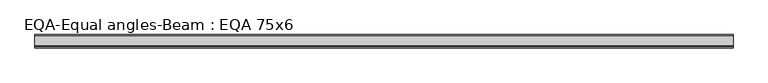
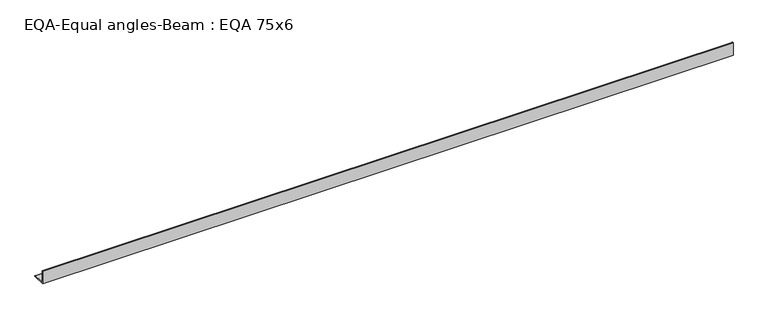
"""IFC4 building model written with IfcOpenShell, lengths in millimetres: beam geometry, EQA-Equal angles-Beam : EQA 75x6."""

from ifc_helpers import new_model, si_unit, point, frame, frame_2d, origin, place, context, project, spatial, polyline, circle_curve, trimmed, segment, composite_curve, outline, extrude, source, transform, mapped, element, save


def eqa_equal_angles_beam_eqa_75x6_c968c4ca(model_context):
    return source(origin(), model_context, "Body", "SweptSolid", [
        extrude(outline(composite_curve([segment(polyline([(-20.5, -20.5), (-20.5, 54.5), (-19.0, 54.5)]), True, "CONTINUOUS"), segment(trimmed(circle_curve(frame_2d((-19.0, 50.0)), 4.5), [point((-19.0, 54.5))], [point((-14.5, 50.0))], False, "CARTESIAN"), True, "CONTINUOUS"), segment(polyline([(-14.5, 50.0), (-14.5, -5.5)]), True, "CONTINUOUS"), segment(trimmed(circle_curve(frame_2d((-5.5, -5.5)), 9.0), [point((-14.5, -5.5))], [point((-5.5, -14.5))], True, "CARTESIAN"), True, "CONTINUOUS"), segment(polyline([(-5.5, -14.5), (50.0, -14.5)]), True, "CONTINUOUS"), segment(trimmed(circle_curve(frame_2d((50.0, -19.0)), 4.5), [point((50.0, -14.5))], [point((54.5, -19.0))], False, "CARTESIAN"), True, "CONTINUOUS"), segment(polyline([(54.5, -19.0), (54.5, -20.5), (-20.5, -20.5)]), True, "CONTINUOUS")], self_intersect=False)), frame((-1941.8824187, 0.0, 0.0), z_axis=(1.0, 0.0, 0.0), x_axis=(0.0, 1.0, 0.0)), (0.0, 0.0, 1.0), 3869.4152052),
    ])


if __name__ == "__main__":
    model = new_model("IFC4")
    model_context = context("Model", 3, world=origin())
    ifc_project = project(units=[si_unit("LENGTHUNIT", "METRE", prefix="MILLI")], contexts=[model_context])
    site = spatial("IfcSite", under=ifc_project)
    building = spatial("IfcBuilding", under=site)
    placement = place(None, origin())
    eqa_equal_angles_beam_eqa_75x6_shape = eqa_equal_angles_beam_eqa_75x6_c968c4ca(model_context)
    element("IfcBeam", 1, ObjectType="EQA-Equal angles-Beam : EQA 75x6", at=placement, inside=building, context=model_context, shape_type="MappedRepresentation", body=[
        mapped(eqa_equal_angles_beam_eqa_75x6_shape, transform((0.0, 0.0, 0.0), x_axis=(1.0, 0.0, 0.0), y_axis=(0.0, 1.0, 0.0), z_axis=(0.0, 0.0, 1.0))),
    ])
    save(model, "model.ifc")
